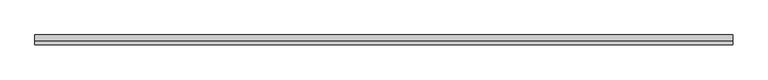
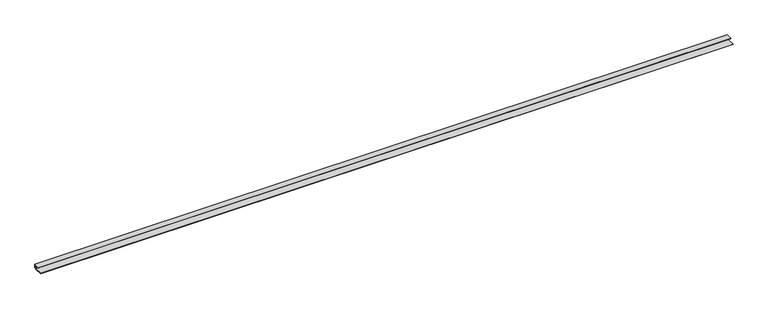
"""IFC4 building model written with IfcOpenShell, lengths in millimetres: proxy geometry."""

from ifc_helpers import new_model, si_unit, frame, origin, place, context, project, spatial, polyline, outline, extrude, source, transform, mapped, element, save


def generic_models_935fadb2(model_context):
    return source(origin(), model_context, "Body", "SweptSolid", [
        extrude(outline(polyline([(-27.0, -10.0), (-3.9955123, -10.0), (-2.0032532, -8.0077408), (0.0, -8.0077408), (0.0, 0.0), (-16.0, 0.0), (-16.0, 1.0), (1.0, 1.0), (1.0, -9.0077408), (-1.5890396, -9.0077408), (-3.5812988, -11.0), (-27.0, -11.0), (-27.0, -10.0)])), frame((0.0, 0.0, 0.0), z_axis=(1.0, 0.0, 0.0), x_axis=(0.0, 1.0, 0.0)), (0.0, 0.0, 1.0), 2000.0),
    ])


if __name__ == "__main__":
    model = new_model("IFC4")
    model_context = context("Model", 3, world=origin())
    ifc_project = project(units=[si_unit("LENGTHUNIT", "METRE", prefix="MILLI")], contexts=[model_context])
    site = spatial("IfcSite", under=ifc_project)
    building = spatial("IfcBuilding", under=site)
    placement = place(None, origin())
    generic_models_shape = generic_models_935fadb2(model_context)
    element("IfcBuildingElementProxy", 1, Name="Generic Models", at=placement, inside=building, context=model_context, shape_type="MappedRepresentation", body=[
        mapped(generic_models_shape, transform((0.0, 0.0, 0.0), x_axis=(1.0, 0.0, 0.0), y_axis=(0.0, 1.0, 0.0), z_axis=(0.0, 0.0, 1.0))),
    ])
    save(model, "model.ifc")
